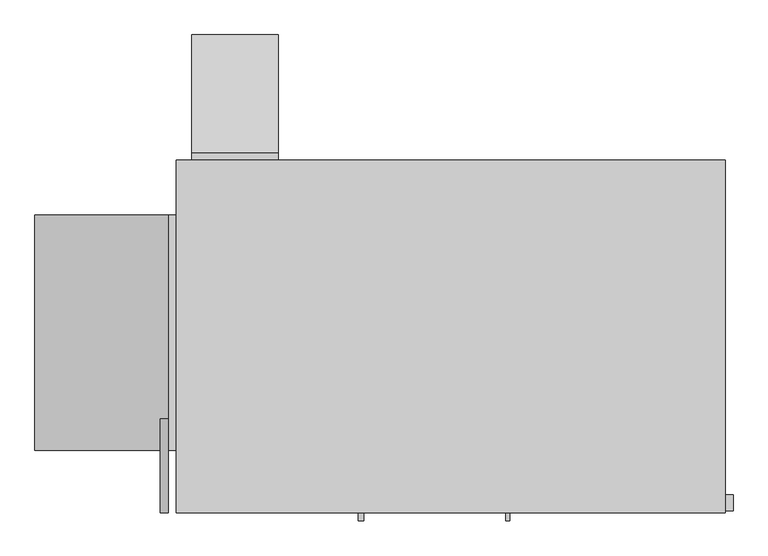
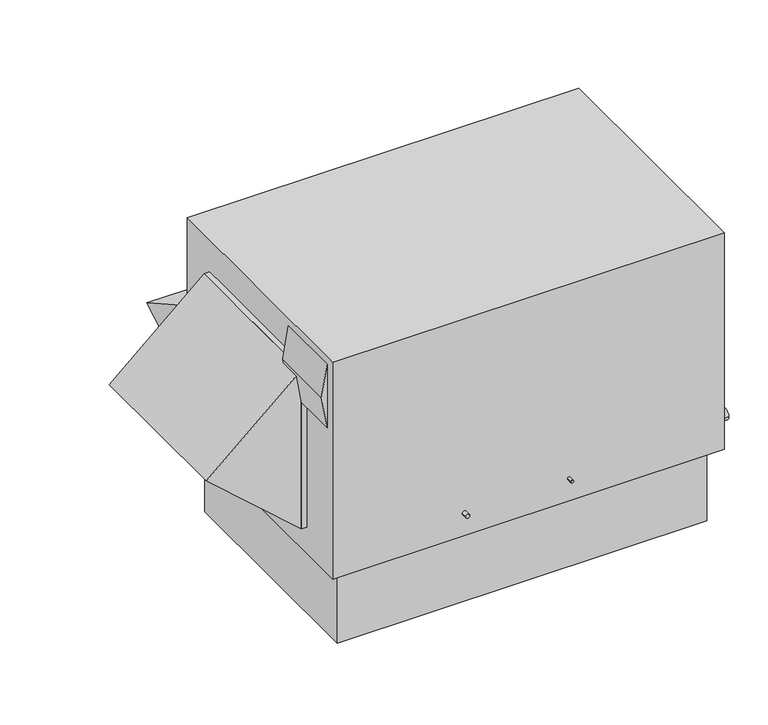
"""IFC4 building model written with IfcOpenShell, lengths in millimetres: proxy geometry."""

from ifc_helpers import new_model, si_unit, frame, origin, place, context, project, spatial, polyline, circle_curve, outline, extrude, source, transform, mapped, element, save
from ifc_brep_helpers import plane_surface, cylinder_surface, advanced_brep


def mechanical_equipment_d986dfb2(model_context):
    return source(origin(), model_context, "Body", "SolidModel", [
        extrude(outline(polyline([(736.6, -1803.4), (1041.4, -1803.4), (889.0, -1828.8), (736.6, -1803.4)])), frame((0.0, 0.0, 0.0), z_axis=(0.0, 1.0, 0.0), x_axis=(0.0, 0.0, 1.0)), (0.0, 0.0, 1.0), 304.8),
        extrude(outline(polyline([(127.0, -1803.4), (889.0, -1803.4), (508.0, -2235.2), (127.0, -1803.4)])), frame((0.0, 203.2, 0.0), z_axis=(0.0, 1.0, 0.0), x_axis=(0.0, 0.0, 1.0)), (0.0, 0.0, 1.0), 762.0),
        extrude(outline(polyline([(-1803.4, 203.2), (-1803.4, 965.2), (-1778.0, 965.2), (-1778.0, 203.2), (-1803.4, 203.2)])), frame((0.0, 0.0, 127.0), z_axis=(0.0, 0.0, 1.0), x_axis=(1.0, 0.0, 0.0)), (0.0, 0.0, 1.0), 762.0),
        extrude(outline(polyline([(1168.4, 152.4), (1168.4, 584.2), (1549.4, 368.3), (1168.4, 152.4)])), frame((-1727.2, 0.0, 0.0), z_axis=(1.0, 0.0, 0.0), x_axis=(0.0, 1.0, 0.0)), (0.0, 0.0, 1.0), 279.4),
        extrude(outline(polyline([(-1727.2, 1168.4), (-1447.8, 1168.4), (-1447.8, 1143.0), (-1727.2, 1143.0), (-1727.2, 1168.4)])), frame((0.0, 0.0, 152.4), z_axis=(0.0, 0.0, 1.0), x_axis=(1.0, 0.0, 0.0)), (0.0, 0.0, 1.0), 431.8),
        extrude(outline(polyline([(-50.8, 1092.2), (-50.8, 50.8), (-1727.2, 50.8), (-1727.2, 1092.2), (-50.8, 1092.2)])), frame((0.0, 0.0, -355.6), z_axis=(0.0, 0.0, 1.0), x_axis=(1.0, 0.0, 0.0)), (0.0, 0.0, 1.0), 355.6),
        advanced_brep(
        [(0.0, 1143.0, 1041.4), (-1778.0, 1143.0, 1041.4), (-1778.0, 0.0, 1041.4), (0.0, 0.0, 1041.4), (0.0, 1143.0, 0.0), (0.0, 0.0, 0.0), (-1778.0, 0.0, 0.0), (-1778.0, 1143.0, 0.0), (-1320.8, 1041.4, 0.0), (-1676.4, 1041.4, 0.0), (-1676.4, 431.8, 0.0), (-1320.8, 431.8, 0.0), (-685.8, 1041.4, 0.0), (-1092.2, 1041.4, 0.0), (-1092.2, 584.2, 0.0), (-685.8, 584.2, 0.0), (-698.5, 0.0, 107.95), (-711.2, 0.0, 107.95), (-1169.9875, 0.0, 107.95), (-1189.0375, 0.0, 107.95), (0.0, 58.7375, 142.875), (0.0, 7.9375, 142.875), (-1320.8, 1041.4, 107.95), (-1320.8, 431.8, 107.95), (-1676.4, 431.8, 107.95), (-1676.4, 1041.4, 107.95), (-685.8, 1041.4, 107.95), (-685.8, 584.2, 107.95), (-1092.2, 584.2, 107.95), (-1092.2, 1041.4, 107.95), (-711.2, -25.5724411, 107.95), (-698.5, -25.5724411, 107.95), (25.4, 7.9375, 142.875), (25.4, 58.7375, 142.875), (-1189.0375, -25.5724411, 107.95), (-1169.9875, -25.5724411, 107.95)],
        [
            (0, 1),
            (1, 2),
            (2, 3),
            (3, 0),
            (4, 5),
            (5, 6),
            (6, 7),
            (7, 4),
            (8, 9),
            (9, 10),
            (10, 11),
            (11, 8),
            (12, 13),
            (13, 14),
            (14, 15),
            (15, 12),
            (0, 4),
            (7, 1),
            (6, 2),
            (5, 3),
            (16, 17, circle_curve(frame((-704.85, 0.0, 107.95), z_axis=(0.0, 1.0, 0.0), x_axis=(1.0, 0.0, 0.0)), 6.35)),
            (17, 16, circle_curve(frame((-704.85, 0.0, 107.95), z_axis=(0.0, 1.0, 0.0), x_axis=(1.0, 0.0, 0.0)), 6.35)),
            (18, 19, circle_curve(frame((-1179.5125, 0.0, 107.95), z_axis=(0.0, 1.0, 0.0), x_axis=(1.0, 0.0, 0.0)), 9.525)),
            (19, 18, circle_curve(frame((-1179.5125, 0.0, 107.95), z_axis=(0.0, 1.0, 0.0), x_axis=(1.0, 0.0, 0.0)), 9.525)),
            (20, 21, circle_curve(frame((0.0, 33.3375, 142.875), z_axis=(-1.0, 0.0, 0.0), x_axis=(0.0, 1.0, 0.0)), 25.4)),
            (21, 20, circle_curve(frame((0.0, 33.3375, 142.875), z_axis=(-1.0, 0.0, 0.0), x_axis=(0.0, 1.0, 0.0)), 25.4)),
            (22, 23),
            (23, 24),
            (24, 25),
            (25, 22),
            (26, 27),
            (27, 28),
            (28, 29),
            (29, 26),
            (25, 9),
            (8, 22),
            (24, 10),
            (23, 11),
            (29, 13),
            (12, 26),
            (28, 14),
            (27, 15),
            (30, 31, circle_curve(frame((-704.85, -25.5724411, 107.95), z_axis=(0.0, -1.0, 0.0), x_axis=(1.0, 0.0, 0.0)), 6.35)),
            (31, 30, circle_curve(frame((-704.85, -25.5724411, 107.95), z_axis=(0.0, -1.0, 0.0), x_axis=(1.0, 0.0, 0.0)), 6.35)),
            (30, 17),
            (16, 31),
            (32, 33, circle_curve(frame((25.4, 33.3375, 142.875), z_axis=(1.0, 0.0, 0.0), x_axis=(0.0, 1.0, 0.0)), 25.4)),
            (33, 32, circle_curve(frame((25.4, 33.3375, 142.875), z_axis=(1.0, 0.0, 0.0), x_axis=(0.0, 1.0, 0.0)), 25.4)),
            (32, 21),
            (20, 33),
            (34, 35, circle_curve(frame((-1179.5125, -25.5724411, 107.95), z_axis=(0.0, -1.0, 0.0), x_axis=(1.0, 0.0, 0.0)), 9.525)),
            (35, 34, circle_curve(frame((-1179.5125, -25.5724411, 107.95), z_axis=(0.0, -1.0, 0.0), x_axis=(1.0, 0.0, 0.0)), 9.525)),
            (34, 19),
            (18, 35),
        ],
        [
            plane_surface(frame((-1778.0, 1143.0, 1041.4), z_axis=(0.0, 0.0, 1.0), x_axis=(-1.0, 0.0, 0.0))),
            plane_surface(frame((-1778.0, 1143.0, 0.0), z_axis=(0.0, 0.0, -1.0), x_axis=(1.0, 0.0, 0.0))),
            plane_surface(frame((0.0, 1143.0, 1041.4), z_axis=(0.0, 1.0, 0.0), x_axis=(0.0, 0.0, -1.0))),
            plane_surface(frame((-1778.0, 1143.0, 1041.4), z_axis=(-1.0, 0.0, 0.0), x_axis=(0.0, 0.0, -1.0))),
            plane_surface(frame((-1778.0, 0.0, 1041.4), z_axis=(0.0, -1.0, 0.0), x_axis=(0.0, 0.0, -1.0))),
            plane_surface(frame((0.0, 0.0, 1041.4), z_axis=(1.0, 0.0, 0.0), x_axis=(0.0, 0.0, -1.0))),
            plane_surface(frame((-1676.4, 1041.4, 107.95), z_axis=(0.0, 0.0, -1.0), x_axis=(-1.0, 0.0, 0.0))),
            plane_surface(frame((-1320.8, 1041.4, 107.95), z_axis=(0.0, -1.0, 0.0), x_axis=(0.0, 0.0, -1.0))),
            plane_surface(frame((-1676.4, 1041.4, 107.95), z_axis=(1.0, 0.0, 0.0), x_axis=(0.0, 0.0, -1.0))),
            plane_surface(frame((-1676.4, 431.8, 107.95), z_axis=(0.0, 1.0, 0.0), x_axis=(0.0, 0.0, -1.0))),
            plane_surface(frame((-1320.8, 431.8, 107.95), z_axis=(-1.0, 0.0, 0.0), x_axis=(0.0, 0.0, -1.0))),
            plane_surface(frame((-685.8, 1041.4, 107.95), z_axis=(0.0, -1.0, 0.0), x_axis=(0.0, 0.0, -1.0))),
            plane_surface(frame((-1092.2, 1041.4, 107.95), z_axis=(1.0, 0.0, 0.0), x_axis=(0.0, 0.0, -1.0))),
            plane_surface(frame((-1092.2, 584.2, 107.95), z_axis=(0.0, 1.0, 0.0), x_axis=(0.0, 0.0, -1.0))),
            plane_surface(frame((-685.8, 584.2, 107.95), z_axis=(-1.0, 0.0, 0.0), x_axis=(0.0, 0.0, -1.0))),
            plane_surface(frame((-698.5, -25.5724411, 107.95), z_axis=(0.0, -1.0, 0.0), x_axis=(0.0, 0.0, 1.0))),
            cylinder_surface(frame((-704.85, 0.0, 107.95), z_axis=(0.0, -1.0, 0.0), x_axis=(1.0, 0.0, 0.0)), 6.35),
            plane_surface(frame((25.4, 58.7375, 142.875), z_axis=(1.0, 0.0, 0.0), x_axis=(0.0, 0.0, 1.0))),
            cylinder_surface(frame((0.0, 33.3375, 142.875), z_axis=(1.0, 0.0, 0.0), x_axis=(0.0, 1.0, 0.0)), 25.4),
            plane_surface(frame((-1169.9875, -25.5724411, 107.95), z_axis=(0.0, -1.0, 0.0), x_axis=(0.0, 0.0, 1.0))),
            cylinder_surface(frame((-1179.5125, 0.0, 107.95), z_axis=(0.0, -1.0, 0.0), x_axis=(1.0, 0.0, 0.0)), 9.525),
        ],
        [
            (0, [[1, 2, 3, 4]]),
            (1, [[5, 6, 7, 8], [9, 10, 11, 12], [13, 14, 15, 16]]),
            (2, [[-1, 17, -8, 18]]),
            (3, [[-2, -18, -7, 19]]),
            (4, [[-3, -19, -6, 20], [21, 22], [23, 24]]),
            (5, [[-4, -20, -5, -17], [25, 26]]),
            (6, [[27, 28, 29, 30]]),
            (6, [[31, 32, 33, 34]]),
            (7, [[-30, 35, -9, 36]]),
            (8, [[-29, 37, -10, -35]]),
            (9, [[-28, 38, -11, -37]]),
            (10, [[-27, -36, -12, -38]]),
            (11, [[-34, 39, -13, 40]]),
            (12, [[-33, 41, -14, -39]]),
            (13, [[-32, 42, -15, -41]]),
            (14, [[-31, -40, -16, -42]]),
            (15, [[43, 44]]),
            (16, [[-43, 45, -21, 46]]),
            (16, [[-44, -46, -22, -45]]),
            (17, [[47, 48]]),
            (18, [[-47, 49, -25, 50]]),
            (18, [[-48, -50, -26, -49]]),
            (19, [[51, 52]]),
            (20, [[-51, 53, -23, 54]]),
            (20, [[-52, -54, -24, -53]]),
        ],
    ),
    ])


if __name__ == "__main__":
    model = new_model("IFC4")
    model_context = context("Model", 3, world=origin())
    ifc_project = project(units=[si_unit("LENGTHUNIT", "METRE", prefix="MILLI")], contexts=[model_context])
    site = spatial("IfcSite", under=ifc_project)
    building = spatial("IfcBuilding", under=site)
    placement = place(None, origin())
    mechanical_equipment_shape = mechanical_equipment_d986dfb2(model_context)
    element("IfcBuildingElementProxy", 1, Name="Mechanical Equipment", at=placement, inside=building, context=model_context, shape_type="MappedRepresentation", body=[
        mapped(mechanical_equipment_shape, transform((0.0, 0.0, 0.0), x_axis=(1.0, 0.0, 0.0), y_axis=(0.0, 1.0, 0.0), z_axis=(0.0, 0.0, 1.0))),
    ])
    save(model, "model.ifc")
